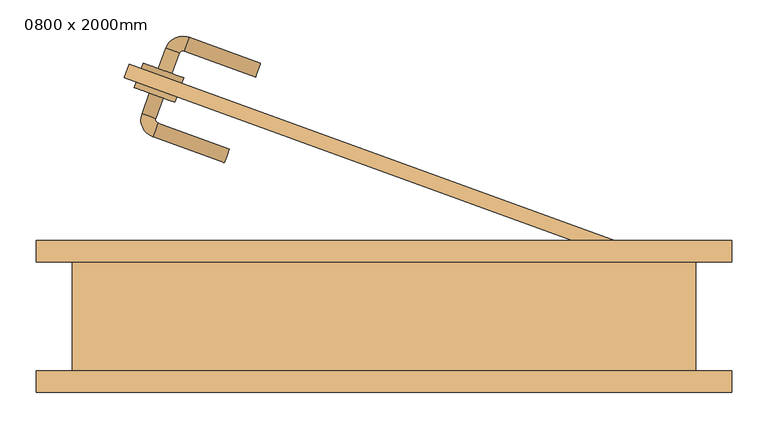
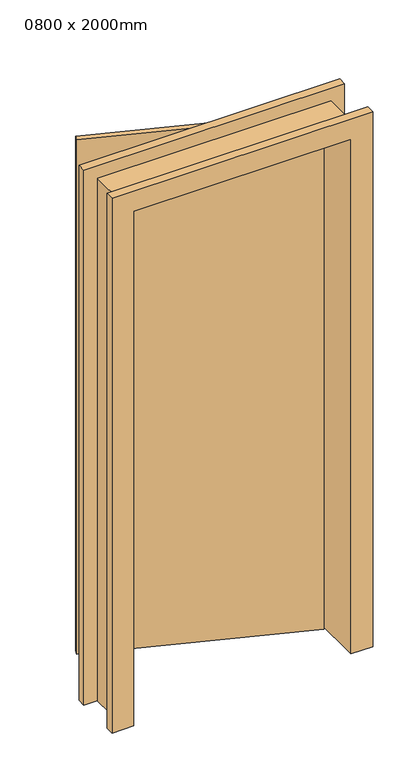
"""IFC4 building model written with IfcOpenShell, lengths in millimetres: door geometry, 0800 x 2000mm."""

from ifc_helpers import new_model, si_unit, point, frame, frame_2d, origin, place, context, project, spatial, circle_curve, ellipse_curve, trimmed, segment, composite_curve, outline, extrude, faceted_brep, source, transform, mapped, element, save
from ifc_brep_helpers import plane_surface, cylinder_surface, revolved_surface, advanced_brep


def door_0800_x_2000mm_e6549055(model_context):
    return source(origin(), model_context, "Body", "SolidModel", [
        advanced_brep(
        [(-323.7429558, 308.6239155, 1000.0), (-304.9491034, 301.7835127, 1000.0), (-315.2097077, 273.5927341, 1000.0), (-334.0035601, 280.4331369, 1000.0), (-312.2213453, 267.1841702, 1000.0), (-319.0617482, 248.3903178, 1000.0), (-220.394023, 212.4782028, 1000.0), (-213.5536201, 231.2720552, 1000.0)],
        [
            (0, 1, circle_curve(frame((-314.3460296, 305.2037141, 1000.0), z_axis=(0.3420201433256621, 0.9396926207859108, 0.0), x_axis=(0.9396926207859095, -0.34202014332566166, 0.0)), 10.0)),
            (1, 0, circle_curve(frame((-314.3460296, 305.2037141, 1000.0), z_axis=(0.3420201433256621, 0.9396926207859108, 0.0), x_axis=(0.9396926207859095, -0.34202014332566166, 0.0)), 10.0)),
            (1, 2),
            (2, 3, circle_curve(frame((-324.6066339, 277.0129355, 1000.0), z_axis=(0.3420201433256621, 0.9396926207859108, 0.0), x_axis=(0.9396926207859095, -0.34202014332566166, 0.0)), 10.0)),
            (3, 0),
            (3, 2, circle_curve(frame((-324.6066339, 277.0129355, 1000.0), z_axis=(0.3420201433256621, 0.9396926207859108, 0.0), x_axis=(0.9396926207859095, -0.34202014332566166, 0.0)), 10.0)),
            (4, 5, circle_curve(frame((-315.6415467, 257.787244, 1000.0), z_axis=(-0.9396926207859084, 0.3420201433256649, 0.0), x_axis=(0.3420201433256649, 0.9396926207859084, 0.0)), 10.0)),
            (5, 3, circle_curve(frame((-310.5112446, 271.8826333, 1000.0), z_axis=(0.0, 0.0, -1.0), x_axis=(-0.9396926207859095, 0.3420201433256617, 0.0)), 25.0)),
            (2, 4, circle_curve(frame((-310.5112446, 271.8826333, 1000.0), z_axis=(0.0, 0.0, 1.0), x_axis=(-0.9396926207859095, 0.3420201433256617, 0.0)), 5.0)),
            (5, 4, circle_curve(frame((-315.6415467, 257.787244, 1000.0), z_axis=(-0.9396926207859086, 0.34202014332566427, 0.0), x_axis=(0.34202014332566427, 0.9396926207859086, 0.0)), 10.0)),
            (6, 7, circle_curve(frame((-216.9738216, 221.875129, 1000.0), z_axis=(0.9396926207859108, -0.3420201433256621, 0.0), x_axis=(0.34202014332566166, 0.9396926207859095, 0.0)), 10.0)),
            (7, 6, circle_curve(frame((-216.9738216, 221.875129, 1000.0), z_axis=(0.9396926207859108, -0.3420201433256621, 0.0), x_axis=(0.34202014332566166, 0.9396926207859095, 0.0)), 10.0)),
            (4, 7),
            (6, 5),
        ],
        [
            plane_surface(frame((-314.3460296, 305.2037141, 1000.0), z_axis=(0.3420201433256621, 0.9396926207859108, 0.0), x_axis=(0.0, 0.0, 1.0))),
            cylinder_surface(frame((-314.3460296, 305.2037141, 1000.0), z_axis=(0.34202014332566166, 0.9396926207859095, 0.0), x_axis=(0.9396926207859095, -0.34202014332566166, 0.0)), 10.0),
            revolved_surface(trimmed(ellipse_curve(frame((-324.6066339, 277.0129355, 1000.0), z_axis=(-0.3420201433256617, -0.9396926207859095, 0.0), x_axis=(0.9396926207859095, -0.3420201433256617, 0.0)), 10.0, 10.0), [point((-334.0035601, 280.4331369, 1000.0))], [point((-315.2097077, 273.5927341, 1000.0))], True, "CARTESIAN"), (-310.5112446, 271.8826333, 1000.0), (0.0, 0.0, -1.0)),
            revolved_surface(trimmed(ellipse_curve(frame((-324.6066339, 277.0129355, 1000.0), z_axis=(-0.3420201433256617, -0.9396926207859095, 0.0), x_axis=(0.9396926207859095, -0.3420201433256617, 0.0)), 10.0, 10.0), [point((-315.2097077, 273.5927341, 1000.0))], [point((-334.0035601, 280.4331369, 1000.0))], True, "CARTESIAN"), (-310.5112446, 271.8826333, 1000.0), (0.0, 0.0, -1.0)),
            plane_surface(frame((-216.9738216, 221.875129, 1000.0), z_axis=(0.9396926207859108, -0.3420201433256621, 0.0), x_axis=(0.0, 0.0, 1.0))),
            cylinder_surface(frame((-315.6415467, 257.787244, 1000.0), z_axis=(-0.9396926207859095, 0.34202014332566166, 0.0), x_axis=(0.34202014332566166, 0.9396926207859095, 0.0)), 10.0),
        ],
        [
            (0, [[1, 2]]),
            (1, [[3, 4, 5, -2]]),
            (1, [[-5, 6, -3, -1]]),
            (2, [[7, 8, -4, 9]]),
            (3, [[10, -9, -6, -8]]),
            (4, [[11, 12]]),
            (5, [[13, -11, 14, -7]]),
            (5, [[-14, -12, -13, -10]]),
        ],
    ),
        extrude(outline(composite_curve([segment(trimmed(circle_curve(frame_2d((0.0, 30.0000001)), 30.0), [point((0.0, 60.0))], [point((0.0, 0.0))], False, "CARTESIAN"), True, "CONTINUOUS"), segment(trimmed(circle_curve(frame_2d((0.0, 30.0000001)), 30.0), [point((0.0, 0.0))], [point((0.0, 60.0))], False, "CARTESIAN"), True, "CONTINUOUS")], self_intersect=False)), frame((-288.5044825, 295.7981602, 1000.0), z_axis=(0.3420201433256621, 0.9396926207859108, 0.0), x_axis=(0.0, 0.0, -1.0)), (0.0, 0.0, 1.0), 8.0),
        advanced_brep(
        [(-311.4302307, 342.4528499, 1000.0), (-292.6363782, 335.612447, 1000.0), (-301.1696264, 370.6436285, 1000.0), (-282.3757739, 363.8032257, 1000.0), (-275.9672101, 366.791588, 1000.0), (-269.1268072, 385.5854405, 1000.0), (-170.4590821, 349.6733254, 1000.0), (-177.2994849, 330.879473, 1000.0)],
        [
            (0, 1, circle_curve(frame((-302.0333044, 339.0326485, 1000.0), z_axis=(-0.342020143325662, -0.9396926207859111, 0.0), x_axis=(0.9396926207859102, -0.3420201433256617, 0.0)), 10.0)),
            (1, 0, circle_curve(frame((-302.0333044, 339.0326485, 1000.0), z_axis=(-0.342020143325662, -0.9396926207859111, 0.0), x_axis=(0.9396926207859102, -0.3420201433256617, 0.0)), 10.0)),
            (0, 2),
            (2, 3, circle_curve(frame((-291.7727001, 367.2234271, 1000.0), z_axis=(-0.342020143325662, -0.9396926207859111, 0.0), x_axis=(0.9396926207859102, -0.3420201433256617, 0.0)), 10.0)),
            (3, 1),
            (3, 2, circle_curve(frame((-291.7727001, 367.2234271, 1000.0), z_axis=(-0.342020143325662, -0.9396926207859111, 0.0), x_axis=(0.9396926207859102, -0.3420201433256617, 0.0)), 10.0)),
            (4, 3, circle_curve(frame((-277.6773108, 362.0931249, 1000.0), z_axis=(0.0, 0.0, 1.0), x_axis=(-0.9396926207859102, 0.34202014332566166, 0.0)), 5.0)),
            (2, 5, circle_curve(frame((-277.6773108, 362.0931249, 1000.0), z_axis=(0.0, 0.0, -1.0), x_axis=(-0.9396926207859102, 0.34202014332566166, 0.0)), 25.0)),
            (5, 4, circle_curve(frame((-272.5470087, 376.1885142, 1000.0), z_axis=(-0.9396926207859111, 0.34202014332565933, 0.0), x_axis=(-0.34202014332565933, -0.9396926207859111, 0.0)), 10.0)),
            (4, 5, circle_curve(frame((-272.5470087, 376.1885142, 1000.0), z_axis=(-0.9396926207859123, 0.3420201433256558, 0.0), x_axis=(-0.3420201433256558, -0.9396926207859123, 0.0)), 10.0)),
            (6, 7, circle_curve(frame((-173.8792835, 340.2763992, 1000.0), z_axis=(0.9396926207859111, -0.342020143325662, 0.0), x_axis=(-0.3420201433256617, -0.9396926207859102, 0.0)), 10.0)),
            (7, 6, circle_curve(frame((-173.8792835, 340.2763992, 1000.0), z_axis=(0.9396926207859111, -0.342020143325662, 0.0), x_axis=(-0.3420201433256617, -0.9396926207859102, 0.0)), 10.0)),
            (5, 6),
            (7, 4),
        ],
        [
            plane_surface(frame((-302.0333044, 339.0326485, 1000.0), z_axis=(-0.342020143325662, -0.939692620785911, 0.0), x_axis=(0.0, 0.0, 1.0))),
            cylinder_surface(frame((-302.0333044, 339.0326485, 1000.0), z_axis=(-0.3420201433256617, -0.9396926207859102, 0.0), x_axis=(0.9396926207859102, -0.3420201433256617, 0.0)), 10.0),
            revolved_surface(trimmed(ellipse_curve(frame((-291.7727001, 367.2234271, 1000.0), z_axis=(-0.34202014332566166, -0.9396926207859102, 0.0), x_axis=(0.9396926207859102, -0.34202014332566166, 0.0)), 10.0, 10.0), [point((-301.1696264, 370.6436285, 1000.0))], [point((-282.3757739, 363.8032257, 1000.0))], True, "CARTESIAN"), (-277.6773108, 362.0931249, 1000.0), (0.0, 0.0, -1.0)),
            revolved_surface(trimmed(ellipse_curve(frame((-291.7727001, 367.2234271, 1000.0), z_axis=(-0.34202014332566166, -0.9396926207859102, 0.0), x_axis=(0.9396926207859102, -0.34202014332566166, 0.0)), 10.0, 10.0), [point((-282.3757739, 363.8032257, 1000.0))], [point((-301.1696264, 370.6436285, 1000.0))], True, "CARTESIAN"), (-277.6773108, 362.0931249, 1000.0), (0.0, 0.0, -1.0)),
            plane_surface(frame((-173.8792835, 340.2763992, 1000.0), z_axis=(0.939692620785911, -0.342020143325662, 0.0), x_axis=(0.0, 0.0, 1.0))),
            cylinder_surface(frame((-272.5470087, 376.1885142, 1000.0), z_axis=(-0.9396926207859102, 0.3420201433256617, 0.0), x_axis=(-0.3420201433256617, -0.9396926207859102, 0.0)), 10.0),
        ],
        [
            (0, [[1, 2]]),
            (1, [[-1, 3, 4, 5]]),
            (1, [[-2, -5, 6, -3]]),
            (2, [[7, -4, 8, 9]]),
            (3, [[-8, -6, -7, 10]]),
            (4, [[11, 12]]),
            (5, [[-9, 13, -12, 14]]),
            (5, [[-10, -14, -11, -13]]),
        ],
    ),
        extrude(outline(composite_curve([segment(trimmed(circle_curve(frame_2d((0.0, -30.0)), 30.0), [point((0.0, -60.0))], [point((0.0, 0.0))], False, "CARTESIAN"), True, "CONTINUOUS"), segment(trimmed(circle_curve(frame_2d((0.0, -30.0)), 30.0), [point((0.0, 0.0))], [point((0.0, -60.0))], False, "CARTESIAN"), True, "CONTINUOUS")], self_intersect=False)), frame((-278.9279185, 322.1095536, 1000.0), z_axis=(0.342020143325662, 0.939692620785911, 0.0), x_axis=(0.0, 0.0, 1.0)), (0.0, 0.0, 1.0), 8.0),
        faceted_brep([(-430.0, 75.0, 0.0), (-480.0, 75.0, 0.0), (-480.0, 105.0, 0.0), (-400.0, 105.0, 0.0), (-400.0, -105.0, 0.0), (-480.0, -105.0, 0.0), (-480.0, -75.0, 0.0), (-430.0, -75.0, 0.0), (-430.0, 75.0, 2030.0), (430.0, 75.0, 2030.0), (430.0, 75.0, 0.0), (480.0, 75.0, 0.0), (480.0, 75.0, 2080.0), (-480.0, 75.0, 2080.0), (-480.0, 105.0, 2080.0), (480.0, 105.0, 2080.0), (480.0, 105.0, 0.0), (400.0, 105.0, 0.0), (400.0, 105.0, 2000.0), (-400.0, 105.0, 2000.0), (-400.0, -105.0, 2000.0), (400.0, -105.0, 2000.0), (400.0, -105.0, 0.0), (480.0, -105.0, 0.0), (480.0, -105.0, 2080.0), (-480.0, -105.0, 2080.0), (-480.0, -75.0, 2080.0), (480.0, -75.0, 2080.0), (480.0, -75.0, 0.0), (430.0, -75.0, 0.0), (430.0, -75.0, 2030.0), (-430.0, -75.0, 2030.0)], [[[0, 1, 2, 3, 4, 5, 6, 7]], [[1, 0, 8, 9, 10, 11, 12, 13]], [[2, 1, 13, 14]], [[3, 2, 14, 15, 16, 17, 18, 19]], [[4, 3, 19, 20]], [[5, 4, 20, 21, 22, 23, 24, 25]], [[6, 5, 25, 26]], [[7, 6, 26, 27, 28, 29, 30, 31]], [[0, 7, 31, 8]], [[9, 30, 29, 10]], [[10, 29, 28, 23, 22, 17, 16, 11]], [[15, 12, 11, 16]], [[21, 18, 17, 22]], [[27, 24, 23, 28]], [[14, 13, 12, 15]], [[20, 19, 18, 21]], [[26, 25, 24, 27]], [[8, 31, 30, 9]]]),
        faceted_brep([(-351.7540966, 348.6161147, 0.0), (400.0, 75.0, 0.0), (393.1595971, 56.2061476, 0.0), (-358.5944995, 329.8222622, 0.0), (-351.7540966, 348.6161147, 2000.0), (400.0, 75.0, 2000.0), (393.1595971, 56.2061476, 2000.0), (341.523912, 75.0, 2000.0), (-358.5944995, 329.8222622, 2000.0)], [[[0, 1, 2, 3]], [[4, 5, 1, 0]], [[5, 6, 2, 1]], [[3, 2, 6, 7, 8]], [[8, 4, 0, 3]], [[4, 8, 7, 6, 5]]]),
    ])


if __name__ == "__main__":
    model = new_model("IFC4")
    model_context = context("Model", 3, world=origin())
    ifc_project = project(units=[si_unit("LENGTHUNIT", "METRE", prefix="MILLI")], contexts=[model_context])
    site = spatial("IfcSite", under=ifc_project)
    building = spatial("IfcBuilding", under=site)
    placement = place(None, origin())
    door_0800_x_2000mm_shape = door_0800_x_2000mm_e6549055(model_context)
    element("IfcDoor", 1, ObjectType="0800 x 2000mm", at=placement, inside=building, context=model_context, shape_type="MappedRepresentation", body=[
        mapped(door_0800_x_2000mm_shape, transform((0.0, 0.0, 0.0), x_axis=(1.0, 0.0, 0.0), y_axis=(0.0, 1.0, 0.0), z_axis=(0.0, 0.0, 1.0))),
    ])
    save(model, "model.ifc")
